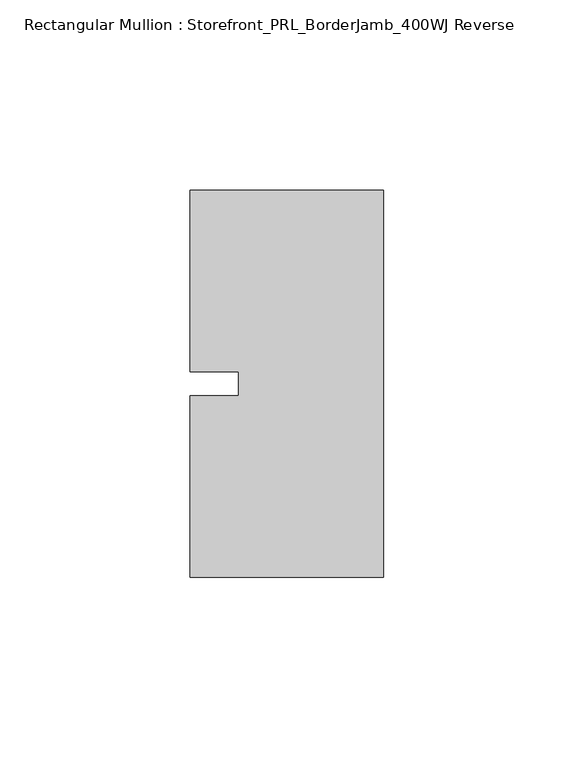
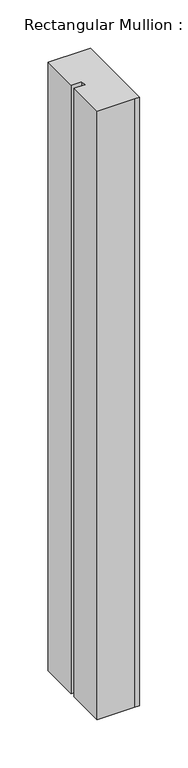
"""IFC4 building model written with IfcOpenShell, lengths in millimetres: member geometry, Rectangular Mullion : Storefront_PRL_BorderJamb_400WJ Reverse."""

from ifc_helpers import new_model, si_unit, frame, origin, place, context, project, spatial, polyline, outline, extrude, source, transform, mapped, element, save


def rectangular_mullion_storefront_prl_borderjamb_400wj_reverse_272e39b2(model_context):
    return source(origin(), model_context, "Body", "SweptSolid", [
        extrude(outline(polyline([(-38.1, -3.175), (-38.1, 3.175), (-50.8, 3.175), (-50.8, 50.8), (-7.3958824, 50.8), (0.0, 50.8), (0.0, -50.8), (-6.35, -50.8), (-50.8, -50.8), (-50.8, -3.175), (-38.1, -3.175)])), frame((0.0, 0.0, -768.35), z_axis=(0.0, 0.0, 1.0), x_axis=(1.0, 0.0, 0.0)), (0.0, 0.0, 1.0), 768.35),
    ])


if __name__ == "__main__":
    model = new_model("IFC4")
    model_context = context("Model", 3, world=origin())
    ifc_project = project(units=[si_unit("LENGTHUNIT", "METRE", prefix="MILLI")], contexts=[model_context])
    site = spatial("IfcSite", under=ifc_project)
    building = spatial("IfcBuilding", under=site)
    placement = place(None, origin())
    rectangular_mullion_storefront_prl_borderjamb_400wj_reverse_shape = rectangular_mullion_storefront_prl_borderjamb_400wj_reverse_272e39b2(model_context)
    element("IfcMember", 1, ObjectType="Rectangular Mullion : Storefront_PRL_BorderJamb_400WJ Reverse", at=placement, inside=building, context=model_context, shape_type="MappedRepresentation", body=[
        mapped(rectangular_mullion_storefront_prl_borderjamb_400wj_reverse_shape, transform((0.0, 0.0, 0.0), x_axis=(1.0, 0.0, 0.0), y_axis=(0.0, 1.0, 0.0), z_axis=(0.0, 0.0, 1.0))),
    ])
    save(model, "model.ifc")
